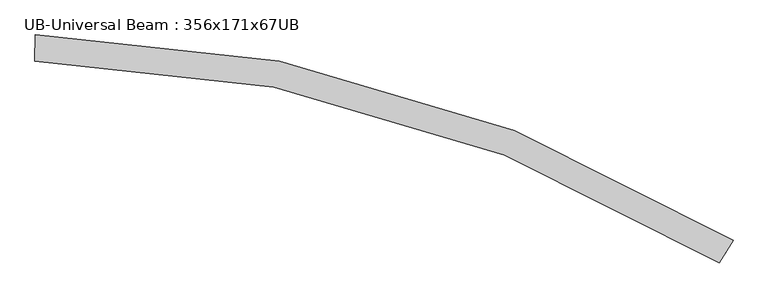
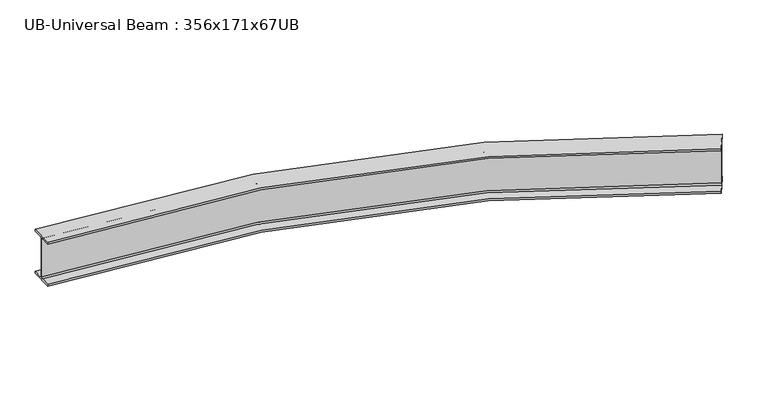
"""IFC4 building model written with IfcOpenShell, lengths in millimetres: beam geometry, UB-Universal Beam : 356x171x67UB."""

from ifc_helpers import new_model, si_unit, point, frame, origin, place, context, project, spatial, polyline, circle_curve, ellipse_curve, trimmed, source, transform, mapped, element, save
from ifc_brep_helpers import plane_surface, cylinder_surface, revolved_surface, advanced_brep


def ub_universal_beam_356x171x67ub_e78ab960(model_context):
    return source(origin(), model_context, "Body", "AdvancedBrep", [
        advanced_brep(
        [(4731.4088225, -1266.2839014, -166.0), (4693.4252367, -1327.2729964, -166.0), (4688.0329948, -1335.931156, -155.8), (4688.0329948, -1335.931156, 155.8), (4693.4252367, -1327.2729964, 166.0), (4731.4088225, -1266.2839014, 166.0), (4731.4088225, -1266.2839014, 181.7), (4639.8464416, -1413.3028472, 181.7), (4639.8464416, -1413.3028472, 166.0), (4677.8300274, -1352.3137522, 166.0), (4683.2222693, -1343.6555926, 155.8), (4683.2222693, -1343.6555926, -155.8), (4677.8300274, -1352.3137522, -166.0), (4639.8464416, -1413.3028472, -166.0), (4639.8464416, -1413.3028472, -181.7), (4731.4088225, -1266.2839014, -181.7), (153.3984298, 85.2853128, -166.0), (153.3984298, 85.2853128, -181.7), (150.4298583, -87.8892454, -181.7), (150.4298583, -87.8892454, -166.0), (151.6613356, -16.0497996, -166.0), (151.8361591, -5.8512979, -155.8), (151.8361591, -5.8512979, 155.8), (151.6613356, -16.0497996, 166.0), (150.4298583, -87.8892454, 166.0), (150.4298583, -87.8892454, 181.7), (153.3984298, 85.2853128, 181.7), (153.3984298, 85.2853128, 166.0), (152.1669525, 13.445867, 166.0), (151.992129, 3.2473653, 155.8), (151.992129, 3.2473653, -155.8), (152.1669525, 13.445867, -166.0)],
        [
            (0, 1),
            (1, 2, circle_curve(frame((4693.4252367, -1327.2729964, -155.8), z_axis=(-0.8488391787080588, 0.5286511597360098, 0.0), x_axis=(-0.5286511597360098, -0.8488391787080588, 0.0)), 10.2)),
            (2, 3),
            (3, 4, circle_curve(frame((4693.4252367, -1327.2729964, 155.8), z_axis=(-0.8488391787080588, 0.5286511597360098, 0.0), x_axis=(-0.5286511597360098, -0.8488391787080588, 0.0)), 10.2)),
            (4, 5),
            (5, 6),
            (6, 7),
            (7, 8),
            (8, 9),
            (9, 10, circle_curve(frame((4677.8300274, -1352.3137522, 155.8), z_axis=(-0.8488391787080585, 0.5286511597360104, 0.0), x_axis=(-0.5286511597360104, -0.8488391787080585, 0.0)), 10.2)),
            (10, 11),
            (11, 12, circle_curve(frame((4677.8300274, -1352.3137522, -155.8), z_axis=(-0.8488391787080585, 0.5286511597360104, 0.0), x_axis=(-0.5286511597360104, -0.8488391787080585, 0.0)), 10.2)),
            (12, 13),
            (13, 14),
            (14, 15),
            (15, 0),
            (16, 17),
            (17, 18),
            (18, 19),
            (19, 20),
            (20, 21, circle_curve(frame((151.6613356, -16.0497996, -155.8), z_axis=(0.9998531069801668, -0.01713955839883785, 0.0), x_axis=(-0.01713955839883785, -0.9998531069801668, 0.0)), 10.2)),
            (21, 22),
            (22, 23, circle_curve(frame((151.6613356, -16.0497996, 155.8), z_axis=(0.9998531069801668, -0.01713955839883785, 0.0), x_axis=(-0.01713955839883785, -0.9998531069801668, 0.0)), 10.2)),
            (23, 24),
            (24, 25),
            (25, 26),
            (26, 27),
            (27, 28),
            (28, 29, circle_curve(frame((152.1669525, 13.445867, 155.8), z_axis=(0.9998531069801667, -0.01713955839883735, 0.0), x_axis=(-0.01713955839883735, -0.9998531069801667, 0.0)), 10.2)),
            (29, 30),
            (30, 31, circle_curve(frame((152.1669525, 13.445867, -155.8), z_axis=(0.9998531069801667, -0.01713955839883735, 0.0), x_axis=(-0.01713955839883735, -0.9998531069801667, 0.0)), 10.2)),
            (31, 16),
            (0, 16, circle_curve(frame((0.0, -8863.3639514, -166.0), z_axis=(0.0, 0.0, 1.0), x_axis=(0.6095946774797479, -0.7927132704757516, 0.0)), 8949.9639514)),
            (31, 1, circle_curve(frame((0.0, -8863.3639514, -166.0), z_axis=(0.0, 0.0, -1.0), x_axis=(0.6095946774797479, -0.7927132704757516, 0.0)), 8878.1139514)),
            (30, 2, circle_curve(frame((0.0, -8863.3639514, -155.8), z_axis=(0.0, 0.0, -1.0), x_axis=(0.6095946774797479, -0.7927132704757516, 0.0)), 8867.9139514)),
            (29, 3, circle_curve(frame((0.0, -8863.3639514, 155.8), z_axis=(0.0, 0.0, -1.0), x_axis=(0.6095946774797479, -0.7927132704757516, 0.0)), 8867.9139514)),
            (28, 4, circle_curve(frame((0.0, -8863.3639514, 166.0), z_axis=(0.0, 0.0, -1.0), x_axis=(0.6095946774797479, -0.7927132704757516, 0.0)), 8878.1139514)),
            (27, 5, circle_curve(frame((0.0, -8863.3639514, 166.0), z_axis=(0.0, 0.0, -1.0), x_axis=(0.6095946774797479, -0.7927132704757516, 0.0)), 8949.9639514)),
            (26, 6, circle_curve(frame((0.0, -8863.3639514, 181.7), z_axis=(0.0, 0.0, -1.0), x_axis=(0.6095946774797479, -0.7927132704757516, 0.0)), 8949.9639514)),
            (25, 7, circle_curve(frame((0.0, -8863.3639514, 181.7), z_axis=(0.0, 0.0, -1.0), x_axis=(0.6095946774797479, -0.7927132704757516, 0.0)), 8776.7639514)),
            (24, 8, circle_curve(frame((0.0, -8863.3639514, 166.0), z_axis=(0.0, 0.0, -1.0), x_axis=(0.6095946774797479, -0.7927132704757516, 0.0)), 8776.7639514)),
            (23, 9, circle_curve(frame((0.0, -8863.3639514, 166.0), z_axis=(0.0, 0.0, -1.0), x_axis=(0.6095946774797479, -0.7927132704757516, 0.0)), 8848.6139514)),
            (22, 10, circle_curve(frame((0.0, -8863.3639514, 155.8), z_axis=(0.0, 0.0, -1.0), x_axis=(0.6095946774797479, -0.7927132704757516, 0.0)), 8858.8139514)),
            (21, 11, circle_curve(frame((0.0, -8863.3639514, -155.8), z_axis=(0.0, 0.0, -1.0), x_axis=(0.6095946774797479, -0.7927132704757516, 0.0)), 8858.8139514)),
            (20, 12, circle_curve(frame((0.0, -8863.3639514, -166.0), z_axis=(0.0, 0.0, -1.0), x_axis=(0.6095946774797479, -0.7927132704757516, 0.0)), 8848.6139514)),
            (19, 13, circle_curve(frame((0.0, -8863.3639514, -166.0), z_axis=(0.0, 0.0, -1.0), x_axis=(0.6095946774797479, -0.7927132704757516, 0.0)), 8776.7639514)),
            (18, 14, circle_curve(frame((0.0, -8863.3639514, -181.7), z_axis=(0.0, 0.0, -1.0), x_axis=(0.6095946774797479, -0.7927132704757516, 0.0)), 8776.7639514)),
            (17, 15, circle_curve(frame((0.0, -8863.3639514, -181.7), z_axis=(0.0, 0.0, -1.0), x_axis=(0.6095946774797479, -0.7927132704757516, 0.0)), 8949.9639514)),
        ],
        [
            plane_surface(frame((4685.627632, -1339.7933743, 0.0), z_axis=(0.8488391787080554, -0.5286511597360153, 0.0), x_axis=(0.0, 0.0, 1.0))),
            plane_surface(frame((151.9141441, -1.3019663, 0.0), z_axis=(-0.9998531069801667, 0.017139558398844294, 0.0), x_axis=(0.0, 0.0, 1.0))),
            plane_surface(frame((0.0, -8863.3639514, -166.0), z_axis=(0.0, 0.0, 1.0), x_axis=(0.6095946774797479, -0.7927132704757516, 0.0))),
            revolved_surface(trimmed(ellipse_curve(frame((5412.0510108, -15901.1626974, -155.8), z_axis=(-0.7927132704757515, -0.6095946774797482, 0.0), x_axis=(-0.6095946774797482, 0.7927132704757515, 0.0)), 10.2, 10.2), [point((5405.8331451, -15893.077022, -155.8))], [point((5412.0510108, -15901.1626974, -166.0))], True, "CARTESIAN"), (0.0, -8863.3639514, 0.0), (0.0, 0.0, -1.0)),
            cylinder_surface(frame((0.0, -8863.3639514, 0.0), z_axis=(0.0, 0.0, -1.0), x_axis=(0.6095946774797479, -0.7927132704757516, 0.0)), 8867.9139514),
            revolved_surface(trimmed(ellipse_curve(frame((5412.0510108, -15901.1626974, 155.8), z_axis=(-0.7927132704757515, -0.6095946774797482, 0.0), x_axis=(-0.6095946774797482, 0.7927132704757515, 0.0)), 10.2, 10.2), [point((5412.0510108, -15901.1626974, 166.0))], [point((5405.8331451, -15893.077022, 155.8))], True, "CARTESIAN"), (0.0, -8863.3639514, 0.0), (0.0, 0.0, -1.0)),
            plane_surface(frame((0.0, -8863.3639514, 166.0), z_axis=(0.0, 0.0, -1.0), x_axis=(0.6095946774797479, -0.7927132704757516, 0.0))),
            cylinder_surface(frame((0.0, -8863.3639514, 0.0), z_axis=(0.0, 0.0, -1.0), x_axis=(0.6095946774797479, -0.7927132704757516, 0.0)), 8949.9639514),
            plane_surface(frame((0.0, -8863.3639514, 181.7), z_axis=(0.0, 0.0, 1.0), x_axis=(0.6095946774797479, -0.7927132704757516, 0.0))),
            revolved_surface(polyline([(5350.268590269561, -15820.821207507975, 166.0), (5350.268590269561, -15820.821207507975, 181.7)]), (0.0, -8863.3639514, 0.0), (0.0, 0.0, -1.0)),
            revolved_surface(trimmed(ellipse_curve(frame((5394.0679678, -15877.7776559, 155.8), z_axis=(-0.7927132704757517, -0.6095946774797477, 0.0), x_axis=(-0.6095946774797477, 0.7927132704757517, 0.0)), 10.2, 10.2), [point((5400.2858335, -15885.8633313, 155.8))], [point((5394.0679678, -15877.7776559, 166.0))], True, "CARTESIAN"), (0.0, -8863.3639514, 0.0), (0.0, 0.0, -1.0)),
            revolved_surface(polyline([(5400.285833556774, -15885.863331350509, -155.8), (5400.285833556774, -15885.863331350509, 155.8)]), (0.0, -8863.3639514, 0.0), (0.0, 0.0, -1.0)),
            revolved_surface(trimmed(ellipse_curve(frame((5394.0679678, -15877.7776559, -155.8), z_axis=(-0.7927132704757517, -0.6095946774797477, 0.0), x_axis=(-0.6095946774797477, 0.7927132704757517, 0.0)), 10.2, 10.2), [point((5394.0679678, -15877.7776559, -166.0))], [point((5400.2858335, -15885.8633313, -155.8))], True, "CARTESIAN"), (0.0, -8863.3639514, 0.0), (0.0, 0.0, -1.0)),
            revolved_surface(polyline([(5350.268590269561, -15820.821207507975, -181.7), (5350.268590269561, -15820.821207507975, -166.0)]), (0.0, -8863.3639514, 0.0), (0.0, 0.0, -1.0)),
            plane_surface(frame((0.0, -8863.3639514, -181.7), z_axis=(0.0, 0.0, -1.0), x_axis=(0.6095946774797479, -0.7927132704757516, 0.0))),
        ],
        [
            (0, [[1, 2, 3, 4, 5, 6, 7, 8, 9, 10, 11, 12, 13, 14, 15, 16]]),
            (1, [[17, 18, 19, 20, 21, 22, 23, 24, 25, 26, 27, 28, 29, 30, 31, 32]]),
            (2, [[-1, 33, -32, 34]]),
            (3, [[-2, -34, -31, 35]]),
            (4, [[-3, -35, -30, 36]]),
            (5, [[-4, -36, -29, 37]]),
            (6, [[-5, -37, -28, 38]]),
            (7, [[-6, -38, -27, 39]]),
            (8, [[-7, -39, -26, 40]]),
            (9, [[-8, -40, -25, 41]]),
            (6, [[-9, -41, -24, 42]]),
            (10, [[-10, -42, -23, 43]]),
            (11, [[-11, -43, -22, 44]]),
            (12, [[-12, -44, -21, 45]]),
            (2, [[-13, -45, -20, 46]]),
            (13, [[-14, -46, -19, 47]]),
            (14, [[-15, -47, -18, 48]]),
            (7, [[-16, -48, -17, -33]]),
        ],
    ),
    ])


if __name__ == "__main__":
    model = new_model("IFC4")
    model_context = context("Model", 3, world=origin())
    ifc_project = project(units=[si_unit("LENGTHUNIT", "METRE", prefix="MILLI")], contexts=[model_context])
    site = spatial("IfcSite", under=ifc_project)
    building = spatial("IfcBuilding", under=site)
    placement = place(None, origin())
    ub_universal_beam_356x171x67ub_shape = ub_universal_beam_356x171x67ub_e78ab960(model_context)
    element("IfcBeam", 1, ObjectType="UB-Universal Beam : 356x171x67UB", at=placement, inside=building, context=model_context, shape_type="MappedRepresentation", body=[
        mapped(ub_universal_beam_356x171x67ub_shape, transform((0.0, 0.0, 0.0), x_axis=(1.0, 0.0, 0.0), y_axis=(0.0, 1.0, 0.0), z_axis=(0.0, 0.0, 1.0))),
    ])
    save(model, "model.ifc")
